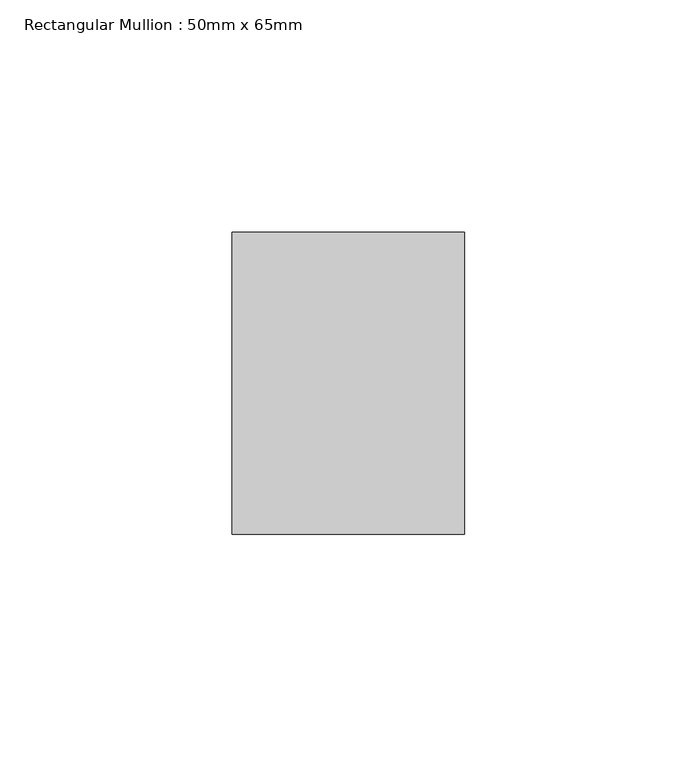
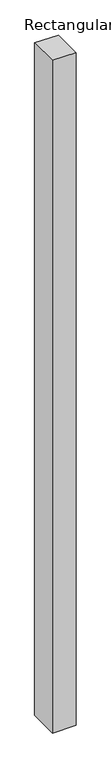
"""IFC4 building model written with IfcOpenShell, lengths in millimetres: member geometry, Rectangular Mullion : 50mm x 65mm."""

from ifc_helpers import new_model, si_unit, origin, place, context, project, spatial, faceted_brep, source, transform, mapped, element, save


def rectangular_mullion_50mm_x_65mm_08cb95bb(model_context):
    return source(origin(), model_context, "Body", "Brep", [
        faceted_brep([(-25.0, 32.5, -0.1835712), (25.0, 32.5, -0.1835716), (25.0, 32.5, -1499.7336765), (-25.0, 32.5, -1499.733677), (-25.0, -32.5, 0.1835716), (-25.0, -32.5, -1500.2665713), (25.0, -32.5, 0.1835712), (25.0, -32.5, -1500.2665708)], [[[0, 1, 2, 3]], [[4, 0, 3, 5]], [[6, 4, 5, 7]], [[1, 6, 7, 2]], [[1, 0, 4, 6]], [[2, 7, 5, 3]]]),
    ])


if __name__ == "__main__":
    model = new_model("IFC4")
    model_context = context("Model", 3, world=origin())
    ifc_project = project(units=[si_unit("LENGTHUNIT", "METRE", prefix="MILLI")], contexts=[model_context])
    site = spatial("IfcSite", under=ifc_project)
    building = spatial("IfcBuilding", under=site)
    placement = place(None, origin())
    rectangular_mullion_50mm_x_65mm_shape = rectangular_mullion_50mm_x_65mm_08cb95bb(model_context)
    element("IfcMember", 1, ObjectType="Rectangular Mullion : 50mm x 65mm", at=placement, inside=building, context=model_context, shape_type="MappedRepresentation", body=[
        mapped(rectangular_mullion_50mm_x_65mm_shape, transform((0.0, 0.0, 0.0), x_axis=(1.0, 0.0, 0.0), y_axis=(0.0, 1.0, 0.0), z_axis=(0.0, 0.0, 1.0))),
    ])
    save(model, "model.ifc")
